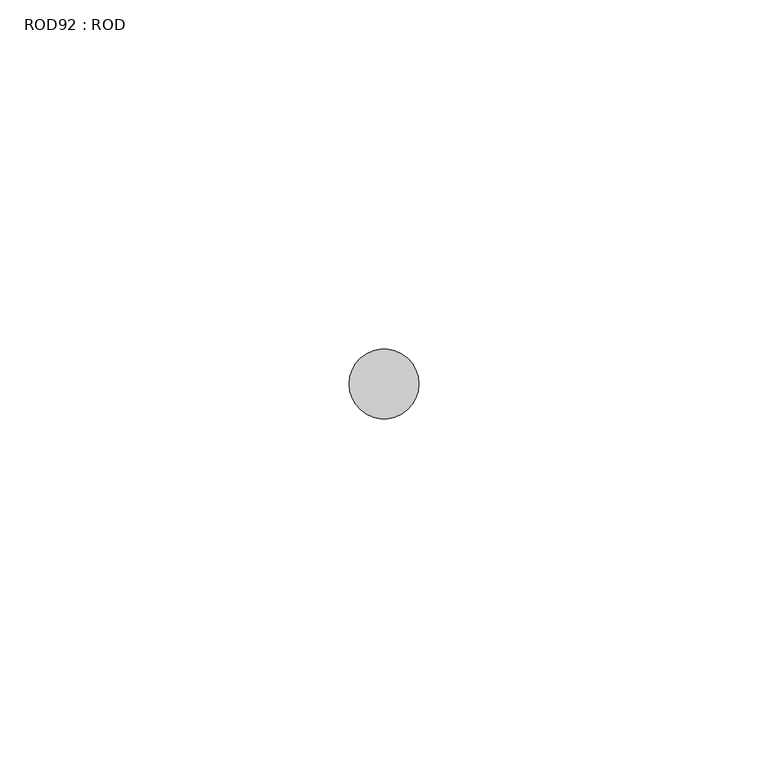
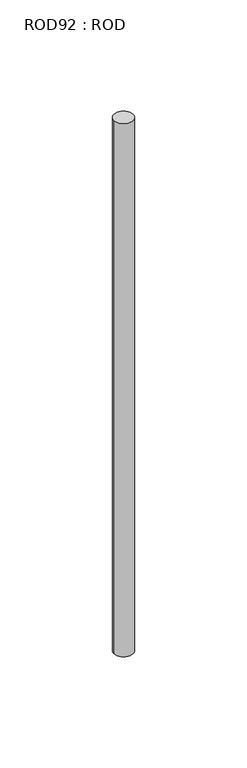
"""IFC4 building model written with IfcOpenShell, lengths in millimetres: proxy geometry, ROD92 : ROD."""

import ifcopenshell
import ifcopenshell.guid

model = None  # the IFC model being written
_history = None  # IfcOwnerHistory: only IFC2X3 demands one
_inside = {}  # id of a spatial element -> (the spatial element, [elements in it])
_under = {}  # id of a project, library or spatial element -> (it, [spatial elements below it])
_declared = {}  # id of a project -> (the project, [libraries it declares])
_typed = {}  # id of a type object -> (the type object, [elements of that type])
_made_of = {}  # id of a material, layer set ... -> (it, [elements and type objects made of it])


def new_model(schema):
    """Start an empty IFC model of exactly this schema.

    Asked for "IFC4X3", IfcOpenShell would pick the latest addendum, in which some entities
    have other attributes; the version numbers below select the first issue.
    IFC2X3 requires an IfcOwnerHistory on every rooted entity: one is made here for all.
    """
    global model, _history
    if schema == "IFC4X3":
        model = ifcopenshell.file(schema_version=(4, 3, 0, 0))
    else:
        model = ifcopenshell.file(schema=schema)
    _inside.clear()
    _under.clear()
    _declared.clear()
    _typed.clear()
    _made_of.clear()
    _history = None
    if model.schema == "IFC2X3":
        org = make("IfcOrganization", Name="unknown")
        user = make(
            "IfcPersonAndOrganization",
            ThePerson=make("IfcPerson", FamilyName="unknown"),
            TheOrganization=org,
        )
        app = make(
            "IfcApplication",
            ApplicationDeveloper=org,
            Version="unknown",
            ApplicationFullName="unknown",
            ApplicationIdentifier="unknown",
        )
        _history = make(
            "IfcOwnerHistory",
            OwningUser=user,
            OwningApplication=app,
            ChangeAction="ADDED",
            CreationDate=0,
        )
    return model


def make(cls, **values):
    """One entity of the class cls with the attributes given. An attribute that is None is left unset."""
    return model.create_entity(
        cls, **{name: value for name, value in values.items() if value is not None}
    )


def rooted(cls, **values):
    """An entity with a GlobalId (a new one), such as an element, a storey or a relation."""
    return make(cls, GlobalId=ifcopenshell.guid.new(), OwnerHistory=_history, **values)


def si_unit(unit_type, name, prefix=None):
    """IfcSIUnit, for example si_unit("LENGTHUNIT", "METRE", prefix="MILLI")."""
    return make("IfcSIUnit", UnitType=unit_type, Prefix=prefix, Name=name)


def assignment(units):
    """IfcUnitAssignment: the units of a project."""
    return None if units is None else make("IfcUnitAssignment", Units=units)


def point(xyz):
    """IfcCartesianPoint."""
    return None if xyz is None else make("IfcCartesianPoint", Coordinates=xyz)


def direction(xyz):
    """IfcDirection."""
    return None if xyz is None else make("IfcDirection", DirectionRatios=xyz)


def frame(location, z_axis=None, x_axis=None):
    """IfcAxis2Placement3D, a coordinate frame: its origin and axes. An axis left out is left unset."""
    return make(
        "IfcAxis2Placement3D",
        Location=point(location),
        Axis=direction(z_axis),
        RefDirection=direction(x_axis),
    )


def frame_2d(location, x_axis=None):
    """IfcAxis2Placement2D, a coordinate frame in the plane: its origin and x axis."""
    return make(
        "IfcAxis2Placement2D", Location=point(location), RefDirection=direction(x_axis)
    )


def origin():
    """The frame at (0, 0, 0) with its axes left unset."""
    return frame((0.0, 0.0, 0.0))


def place(relative_to, where):
    """IfcLocalPlacement: puts the frame where relative to a parent placement (None: the world)."""
    return make(
        "IfcLocalPlacement", PlacementRelTo=relative_to, RelativePlacement=where
    )


def context(
    kind, dimensions, precision=None, world=None, true_north=None, identifier=None
):
    """IfcGeometricRepresentationContext, for example the 3D "Model" context."""
    return make(
        "IfcGeometricRepresentationContext",
        ContextIdentifier=identifier,
        ContextType=kind,
        CoordinateSpaceDimension=dimensions,
        Precision=precision,
        WorldCoordinateSystem=world,
        TrueNorth=true_north,
    )


def project(units=None, contexts=None):
    """IfcProject with its units and contexts."""
    return rooted(
        "IfcProject",
        Name="project",
        RepresentationContexts=contexts,
        UnitsInContext=assignment(units),
    )


def spatial(cls, under=None, at=None, **own):
    """A site, building, storey or space (cls), placed at a placement, below another one or the project."""
    s = rooted(cls, ObjectPlacement=at, **own)
    if under is not None:
        _under.setdefault(under.id(), (under, []))[1].append(s)
    return s


def circle_curve(where, radius):
    """IfcCircle in the frame where."""
    return make("IfcCircle", Position=where, Radius=radius)


def trimmed(basis, trim1, trim2, sense, master):
    """IfcTrimmedCurve: the piece of a basis curve between two trims."""
    return make(
        "IfcTrimmedCurve",
        BasisCurve=basis,
        Trim1=trim1,
        Trim2=trim2,
        SenseAgreement=sense,
        MasterRepresentation=master,
    )


def segment(curve, same_sense, transition):
    """IfcCompositeCurveSegment."""
    return make(
        "IfcCompositeCurveSegment",
        Transition=transition,
        SameSense=same_sense,
        ParentCurve=curve,
    )


def composite_curve(segments, self_intersect=None):
    """IfcCompositeCurve: segments joined end to end."""
    return make("IfcCompositeCurve", Segments=segments, SelfIntersect=self_intersect)


def outline(outer, holes=None, kind="AREA"):
    """IfcArbitraryClosedProfileDef: a profile drawn as a closed curve; with holes, ...WithVoids."""
    if holes is None:
        return make("IfcArbitraryClosedProfileDef", ProfileType=kind, OuterCurve=outer)
    return make(
        "IfcArbitraryProfileDefWithVoids",
        ProfileType=kind,
        OuterCurve=outer,
        InnerCurves=holes,
    )


def extrude(swept, where, along, depth):
    """IfcExtrudedAreaSolid: the profile swept, set in the frame where, extruded along a direction by depth."""
    return make(
        "IfcExtrudedAreaSolid",
        SweptArea=swept,
        Position=where,
        ExtrudedDirection=direction(along),
        Depth=depth,
    )


def shape(context_of_items, identifier, shape_type, items):
    """IfcShapeRepresentation: the items that make up one representation, for example the "Body"."""
    return make(
        "IfcShapeRepresentation",
        ContextOfItems=context_of_items,
        RepresentationIdentifier=identifier,
        RepresentationType=shape_type,
        Items=items,
    )


def source(mapping_origin, context_of_items, identifier, shape_type, items):
    """IfcRepresentationMap: a shape defined once, which mapped items show again and again."""
    return make(
        "IfcRepresentationMap",
        MappingOrigin=mapping_origin,
        MappedRepresentation=shape(context_of_items, identifier, shape_type, items),
    )


def transform(
    local_origin,
    x_axis=None,
    y_axis=None,
    z_axis=None,
    scale=None,
    scale2=None,
    scale3=None,
    uniform=True,
):
    """IfcCartesianTransformationOperator3D, or its non-uniform kind. x_axis, y_axis, z_axis: its Axis1, 2, 3."""
    if uniform:
        return make(
            "IfcCartesianTransformationOperator3D",
            Axis1=direction(x_axis),
            Axis2=direction(y_axis),
            LocalOrigin=point(local_origin),
            Scale=scale,
            Axis3=direction(z_axis),
        )
    return make(
        "IfcCartesianTransformationOperator3DnonUniform",
        Axis1=direction(x_axis),
        Axis2=direction(y_axis),
        LocalOrigin=point(local_origin),
        Scale=scale,
        Axis3=direction(z_axis),
        Scale2=scale2,
        Scale3=scale3,
    )


def mapped(mapping_source, mapping_target):
    """IfcMappedItem: shows the shape of a source again, moved by a transform."""
    return make(
        "IfcMappedItem", MappingSource=mapping_source, MappingTarget=mapping_target
    )


def made_of(thing, what):
    """Note that an element or type object is made of a material, layer set ...; save() writes the relation."""
    if what is not None:
        _made_of.setdefault(what.id(), (what, []))[1].append(thing)
    return thing


def element(
    cls,
    number,
    at=None,
    inside=None,
    cuts=None,
    type_object=None,
    material=None,
    context=None,
    identifier="Body",
    shape_type=None,
    held_by="IfcProductDefinitionShape",
    body=None,
    shapes=None,
    **own,
):
    """One element of the class cls, such as IfcWall. Its Tag is "e" and its number.

    at: its placement. inside: the storey or other place that contains it. cuts: it is an
    opening in that element (IfcRelVoidsElement). A single representation is given by context,
    identifier, shape_type and body (its items); several are given by shapes. held_by: the class
    of the entity that holds the representations. save() writes the other relations.
    """
    e = rooted(cls, Tag="e%d" % number, ObjectPlacement=at, **own)
    if body is not None:
        shapes = [shape(context, identifier, shape_type, body)]
    if shapes is not None:
        e.Representation = make(held_by, Representations=shapes)
    if inside is not None:
        _inside.setdefault(inside.id(), (inside, []))[1].append(e)
    if cuts is not None:
        rooted(
            "IfcRelVoidsElement", RelatingBuildingElement=cuts, RelatedOpeningElement=e
        )
    if type_object is not None:
        _typed.setdefault(type_object.id(), (type_object, []))[1].append(e)
    return made_of(e, material)


def aggregate(whole, parts):
    """IfcRelAggregates: a whole, such as a stair, and the parts it consists of."""
    return rooted("IfcRelAggregates", RelatingObject=whole, RelatedObjects=parts)


def save(model, path):
    """Write the relations noted so far, then the file.

    IfcRelAggregates (storeys below a building ...), IfcRelContainedInSpatialStructure (elements
    in a storey), IfcRelDefinesByType, IfcRelAssociatesMaterial and IfcRelDeclares: one each for
    every whole, place, type object, material and project.
    """
    for whole, parts in _under.values():
        aggregate(whole, parts)
    for where, things in _inside.values():
        rooted(
            "IfcRelContainedInSpatialStructure",
            RelatedElements=things,
            RelatingStructure=where,
        )
    for kind, things in _typed.values():
        rooted("IfcRelDefinesByType", RelatedObjects=things, RelatingType=kind)
    for what, things in _made_of.values():
        rooted("IfcRelAssociatesMaterial", RelatedObjects=things, RelatingMaterial=what)
    for by, libraries in _declared.values():
        rooted("IfcRelDeclares", RelatingContext=by, RelatedDefinitions=libraries)
    model.write(path)


def rod92_rod_2ede02a6(model_context):
    return source(origin(), model_context, "Body", "SweptSolid", [
        extrude(outline(composite_curve([segment(trimmed(circle_curve(frame_2d((-4707.2215616, -12414.6300853)), 5.0), [point((-4712.2215616, -12414.6300853))], [point((-4702.2215616, -12414.6300853))], False, "CARTESIAN"), True, "CONTINUOUS"), segment(trimmed(circle_curve(frame_2d((-4707.2215616, -12414.6300853)), 5.0), [point((-4702.2215616, -12414.6300853))], [point((-4712.2215616, -12414.6300853))], False, "CARTESIAN"), True, "CONTINUOUS")], self_intersect=False)), frame((0.0, 0.0, -208.6608845), z_axis=(0.0, 0.0, 1.0), x_axis=(1.0, 0.0, 0.0)), (0.0, 0.0, 1.0), 298.9028972),
    ])


if __name__ == "__main__":
    model = new_model("IFC4")
    model_context = context("Model", 3, world=origin())
    ifc_project = project(units=[si_unit("LENGTHUNIT", "METRE", prefix="MILLI")], contexts=[model_context])
    site = spatial("IfcSite", under=ifc_project)
    building = spatial("IfcBuilding", under=site)
    placement = place(None, origin())
    rod92_rod_shape = rod92_rod_2ede02a6(model_context)
    element("IfcBuildingElementProxy", 1, Name="ROD92 : ROD", ObjectType="ROD92 : ROD", at=placement, inside=building, context=model_context, shape_type="MappedRepresentation", body=[
        mapped(rod92_rod_shape, transform((0.0, 0.0, 0.0), x_axis=(1.0, 0.0, 0.0), y_axis=(0.0, 1.0, 0.0), z_axis=(0.0, 0.0, 1.0))),
    ])
    save(model, "model.ifc")
